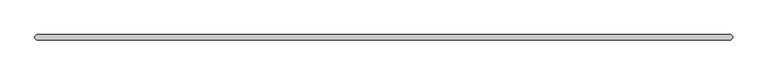
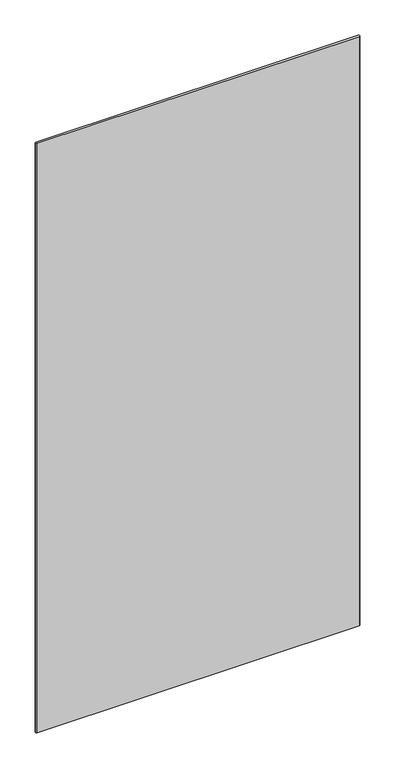
"""IFC4 building model written with IfcOpenShell, lengths in millimetres: plate geometry."""

import ifcopenshell
import ifcopenshell.guid

model = None  # the IFC model being written
_history = None  # IfcOwnerHistory: only IFC2X3 demands one
_inside = {}  # id of a spatial element -> (the spatial element, [elements in it])
_under = {}  # id of a project, library or spatial element -> (it, [spatial elements below it])
_declared = {}  # id of a project -> (the project, [libraries it declares])
_typed = {}  # id of a type object -> (the type object, [elements of that type])
_made_of = {}  # id of a material, layer set ... -> (it, [elements and type objects made of it])


def new_model(schema):
    """Start an empty IFC model of exactly this schema.

    Asked for "IFC4X3", IfcOpenShell would pick the latest addendum, in which some entities
    have other attributes; the version numbers below select the first issue.
    IFC2X3 requires an IfcOwnerHistory on every rooted entity: one is made here for all.
    """
    global model, _history
    if schema == "IFC4X3":
        model = ifcopenshell.file(schema_version=(4, 3, 0, 0))
    else:
        model = ifcopenshell.file(schema=schema)
    _inside.clear()
    _under.clear()
    _declared.clear()
    _typed.clear()
    _made_of.clear()
    _history = None
    if model.schema == "IFC2X3":
        org = make("IfcOrganization", Name="unknown")
        user = make(
            "IfcPersonAndOrganization",
            ThePerson=make("IfcPerson", FamilyName="unknown"),
            TheOrganization=org,
        )
        app = make(
            "IfcApplication",
            ApplicationDeveloper=org,
            Version="unknown",
            ApplicationFullName="unknown",
            ApplicationIdentifier="unknown",
        )
        _history = make(
            "IfcOwnerHistory",
            OwningUser=user,
            OwningApplication=app,
            ChangeAction="ADDED",
            CreationDate=0,
        )
    return model


def make(cls, **values):
    """One entity of the class cls with the attributes given. An attribute that is None is left unset."""
    return model.create_entity(
        cls, **{name: value for name, value in values.items() if value is not None}
    )


def rooted(cls, **values):
    """An entity with a GlobalId (a new one), such as an element, a storey or a relation."""
    return make(cls, GlobalId=ifcopenshell.guid.new(), OwnerHistory=_history, **values)


def si_unit(unit_type, name, prefix=None):
    """IfcSIUnit, for example si_unit("LENGTHUNIT", "METRE", prefix="MILLI")."""
    return make("IfcSIUnit", UnitType=unit_type, Prefix=prefix, Name=name)


def assignment(units):
    """IfcUnitAssignment: the units of a project."""
    return None if units is None else make("IfcUnitAssignment", Units=units)


def point(xyz):
    """IfcCartesianPoint."""
    return None if xyz is None else make("IfcCartesianPoint", Coordinates=xyz)


def direction(xyz):
    """IfcDirection."""
    return None if xyz is None else make("IfcDirection", DirectionRatios=xyz)


def frame(location, z_axis=None, x_axis=None):
    """IfcAxis2Placement3D, a coordinate frame: its origin and axes. An axis left out is left unset."""
    return make(
        "IfcAxis2Placement3D",
        Location=point(location),
        Axis=direction(z_axis),
        RefDirection=direction(x_axis),
    )


def origin():
    """The frame at (0, 0, 0) with its axes left unset."""
    return frame((0.0, 0.0, 0.0))


def origin_with_axes():
    """The frame at (0, 0, 0) with the z axis (0, 0, 1) and the x axis (1, 0, 0) written out."""
    return frame((0.0, 0.0, 0.0), z_axis=(0.0, 0.0, 1.0), x_axis=(1.0, 0.0, 0.0))


def place(relative_to, where):
    """IfcLocalPlacement: puts the frame where relative to a parent placement (None: the world)."""
    return make(
        "IfcLocalPlacement", PlacementRelTo=relative_to, RelativePlacement=where
    )


def context(
    kind, dimensions, precision=None, world=None, true_north=None, identifier=None
):
    """IfcGeometricRepresentationContext, for example the 3D "Model" context."""
    return make(
        "IfcGeometricRepresentationContext",
        ContextIdentifier=identifier,
        ContextType=kind,
        CoordinateSpaceDimension=dimensions,
        Precision=precision,
        WorldCoordinateSystem=world,
        TrueNorth=true_north,
    )


def project(units=None, contexts=None):
    """IfcProject with its units and contexts."""
    return rooted(
        "IfcProject",
        Name="project",
        RepresentationContexts=contexts,
        UnitsInContext=assignment(units),
    )


def spatial(cls, under=None, at=None, **own):
    """A site, building, storey or space (cls), placed at a placement, below another one or the project."""
    s = rooted(cls, ObjectPlacement=at, **own)
    if under is not None:
        _under.setdefault(under.id(), (under, []))[1].append(s)
    return s


def polyline(points):
    """IfcPolyline through the points."""
    return make("IfcPolyline", Points=[point(p) for p in points])


def outline(outer, holes=None, kind="AREA"):
    """IfcArbitraryClosedProfileDef: a profile drawn as a closed curve; with holes, ...WithVoids."""
    if holes is None:
        return make("IfcArbitraryClosedProfileDef", ProfileType=kind, OuterCurve=outer)
    return make(
        "IfcArbitraryProfileDefWithVoids",
        ProfileType=kind,
        OuterCurve=outer,
        InnerCurves=holes,
    )


def extrude(swept, where, along, depth):
    """IfcExtrudedAreaSolid: the profile swept, set in the frame where, extruded along a direction by depth."""
    return make(
        "IfcExtrudedAreaSolid",
        SweptArea=swept,
        Position=where,
        ExtrudedDirection=direction(along),
        Depth=depth,
    )


def shape(context_of_items, identifier, shape_type, items):
    """IfcShapeRepresentation: the items that make up one representation, for example the "Body"."""
    return make(
        "IfcShapeRepresentation",
        ContextOfItems=context_of_items,
        RepresentationIdentifier=identifier,
        RepresentationType=shape_type,
        Items=items,
    )


def source(mapping_origin, context_of_items, identifier, shape_type, items):
    """IfcRepresentationMap: a shape defined once, which mapped items show again and again."""
    return make(
        "IfcRepresentationMap",
        MappingOrigin=mapping_origin,
        MappedRepresentation=shape(context_of_items, identifier, shape_type, items),
    )


def transform(
    local_origin,
    x_axis=None,
    y_axis=None,
    z_axis=None,
    scale=None,
    scale2=None,
    scale3=None,
    uniform=True,
):
    """IfcCartesianTransformationOperator3D, or its non-uniform kind. x_axis, y_axis, z_axis: its Axis1, 2, 3."""
    if uniform:
        return make(
            "IfcCartesianTransformationOperator3D",
            Axis1=direction(x_axis),
            Axis2=direction(y_axis),
            LocalOrigin=point(local_origin),
            Scale=scale,
            Axis3=direction(z_axis),
        )
    return make(
        "IfcCartesianTransformationOperator3DnonUniform",
        Axis1=direction(x_axis),
        Axis2=direction(y_axis),
        LocalOrigin=point(local_origin),
        Scale=scale,
        Axis3=direction(z_axis),
        Scale2=scale2,
        Scale3=scale3,
    )


def mapped(mapping_source, mapping_target):
    """IfcMappedItem: shows the shape of a source again, moved by a transform."""
    return make(
        "IfcMappedItem", MappingSource=mapping_source, MappingTarget=mapping_target
    )


def made_of(thing, what):
    """Note that an element or type object is made of a material, layer set ...; save() writes the relation."""
    if what is not None:
        _made_of.setdefault(what.id(), (what, []))[1].append(thing)
    return thing


def element(
    cls,
    number,
    at=None,
    inside=None,
    cuts=None,
    type_object=None,
    material=None,
    context=None,
    identifier="Body",
    shape_type=None,
    held_by="IfcProductDefinitionShape",
    body=None,
    shapes=None,
    **own,
):
    """One element of the class cls, such as IfcWall. Its Tag is "e" and its number.

    at: its placement. inside: the storey or other place that contains it. cuts: it is an
    opening in that element (IfcRelVoidsElement). A single representation is given by context,
    identifier, shape_type and body (its items); several are given by shapes. held_by: the class
    of the entity that holds the representations. save() writes the other relations.
    """
    e = rooted(cls, Tag="e%d" % number, ObjectPlacement=at, **own)
    if body is not None:
        shapes = [shape(context, identifier, shape_type, body)]
    if shapes is not None:
        e.Representation = make(held_by, Representations=shapes)
    if inside is not None:
        _inside.setdefault(inside.id(), (inside, []))[1].append(e)
    if cuts is not None:
        rooted(
            "IfcRelVoidsElement", RelatingBuildingElement=cuts, RelatedOpeningElement=e
        )
    if type_object is not None:
        _typed.setdefault(type_object.id(), (type_object, []))[1].append(e)
    return made_of(e, material)


def aggregate(whole, parts):
    """IfcRelAggregates: a whole, such as a stair, and the parts it consists of."""
    return rooted("IfcRelAggregates", RelatingObject=whole, RelatedObjects=parts)


def save(model, path):
    """Write the relations noted so far, then the file.

    IfcRelAggregates (storeys below a building ...), IfcRelContainedInSpatialStructure (elements
    in a storey), IfcRelDefinesByType, IfcRelAssociatesMaterial and IfcRelDeclares: one each for
    every whole, place, type object, material and project.
    """
    for whole, parts in _under.values():
        aggregate(whole, parts)
    for where, things in _inside.values():
        rooted(
            "IfcRelContainedInSpatialStructure",
            RelatedElements=things,
            RelatingStructure=where,
        )
    for kind, things in _typed.values():
        rooted("IfcRelDefinesByType", RelatedObjects=things, RelatingType=kind)
    for what, things in _made_of.values():
        rooted("IfcRelAssociatesMaterial", RelatedObjects=things, RelatingMaterial=what)
    for by, libraries in _declared.values():
        rooted("IfcRelDeclares", RelatingContext=by, RelatedDefinitions=libraries)
    model.write(path)


def plate_25e3d49c(model_context):
    return source(origin(), model_context, "Body", "SweptSolid", [
        extrude(outline(polyline([(628.253125, -4.7625), (-628.253125, -4.7625), (-631.428125, -1.5875), (-631.428125, 1.5875), (-628.253125, 4.7625), (628.253125, 4.7625), (631.428125, 1.5875), (631.428125, -1.5875), (628.253125, -4.7625)])), origin_with_axes(), (0.0, 0.0, 1.0), 2427.1914267),
    ])


if __name__ == "__main__":
    model = new_model("IFC4")
    model_context = context("Model", 3, world=origin())
    ifc_project = project(units=[si_unit("LENGTHUNIT", "METRE", prefix="MILLI")], contexts=[model_context])
    site = spatial("IfcSite", under=ifc_project)
    building = spatial("IfcBuilding", under=site)
    placement = place(None, origin())
    plate_shape = plate_25e3d49c(model_context)
    element("IfcPlate", 1, at=placement, inside=building, context=model_context, shape_type="MappedRepresentation", body=[
        mapped(plate_shape, transform((0.0, 0.0, 0.0), x_axis=(1.0, 0.0, 0.0), y_axis=(0.0, 1.0, 0.0), z_axis=(0.0, 0.0, 1.0))),
    ])
    save(model, "model.ifc")
